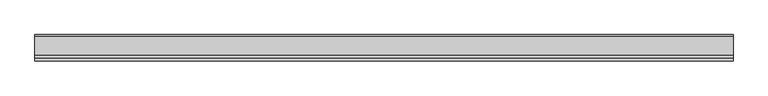
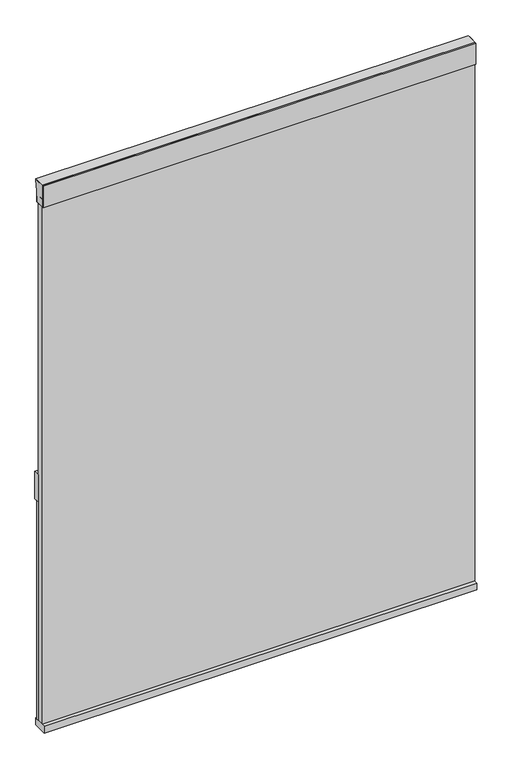
"""IFC4 building model written with IfcOpenShell, lengths in millimetres: plate geometry."""

from ifc_helpers import new_model, si_unit, point, frame, frame_2d, origin, place, context, project, spatial, polyline, circle_curve, trimmed, segment, composite_curve, outline, extrude, source, transform, mapped, element, save


def plate_64a04248(model_context):
    return source(origin(), model_context, "Body", "SweptSolid", [
        extrude(outline(composite_curve([segment(polyline([(-12.7, 2133.6), (27.78125, 2133.6), (27.78125, 2130.425)]), True, "CONTINUOUS"), segment(trimmed(circle_curve(frame_2d((351.6585463, 2051.2450255)), 333.4156137), [point((27.78125, 2130.425))], [point((18.25625, 2054.225))], True, "CARTESIAN"), True, "CONTINUOUS"), segment(polyline([(18.25625, 2054.225), (-12.7, 2054.225), (-12.7, 2133.6)]), True, "CONTINUOUS")], self_intersect=False)), frame((-762.0000001, 0.0, 0.0), z_axis=(1.0, 0.0, 0.0), x_axis=(0.0, 1.0, 0.0)), (0.0, 0.0, 1.0), 1524.0000002),
        extrude(outline(polyline([(-762.0000001, -19.05), (-762.0000001, 19.05), (762.0000001, 19.05), (762.0000001, -19.05), (-762.0000001, -19.05)])), frame((0.0, 0.0, 2054.225), z_axis=(0.0, 0.0, 1.0), x_axis=(1.0, 0.0, 0.0)), (0.0, 0.0, 1.0), 79.375),
        extrude(outline(polyline([(-762.0000001, 12.7), (-762.0000001, 31.75), (762.0000001, 31.75), (762.0000001, 12.7), (-762.0000001, 12.7)])), frame((0.0, 0.0, 939.8), z_axis=(0.0, 0.0, 1.0), x_axis=(1.0, 0.0, 0.0)), (0.0, 0.0, 1.0), 101.6),
        extrude(outline(polyline([(-762.0000001, 12.7), (-762.0000001, 19.05), (762.0000001, 19.05), (762.0000001, 12.7), (-762.0000001, 12.7)])), frame((0.0, 0.0, 127.0), z_axis=(0.0, 0.0, 1.0), x_axis=(1.0, 0.0, 0.0)), (0.0, 0.0, 1.0), 812.8),
        extrude(outline(polyline([(-762.0000001, -25.4), (-762.0000001, 25.4), (762.0000001, 25.4), (762.0000001, -25.4), (-762.0000001, -25.4)])), frame((0.0, 0.0, 101.6), z_axis=(0.0, 0.0, 1.0), x_axis=(1.0, 0.0, 0.0)), (0.0, 0.0, 1.0), 25.4),
        extrude(outline(polyline([(762.0000001, -12.7), (-762.0000001, -12.7), (-762.0000001, 12.7), (762.0000001, 12.7), (762.0000001, -12.7)])), frame((0.0, 0.0, 127.0), z_axis=(0.0, 0.0, 1.0), x_axis=(1.0, 0.0, 0.0)), (0.0, 0.0, 1.0), 1955.8),
    ])


if __name__ == "__main__":
    model = new_model("IFC4")
    model_context = context("Model", 3, world=origin())
    ifc_project = project(units=[si_unit("LENGTHUNIT", "METRE", prefix="MILLI")], contexts=[model_context])
    site = spatial("IfcSite", under=ifc_project)
    building = spatial("IfcBuilding", under=site)
    placement = place(None, origin())
    plate_shape = plate_64a04248(model_context)
    element("IfcPlate", 1, at=placement, inside=building, context=model_context, shape_type="MappedRepresentation", body=[
        mapped(plate_shape, transform((0.0, 0.0, 0.0), x_axis=(1.0, 0.0, 0.0), y_axis=(0.0, 1.0, 0.0), z_axis=(0.0, 0.0, 1.0))),
    ])
    save(model, "model.ifc")
